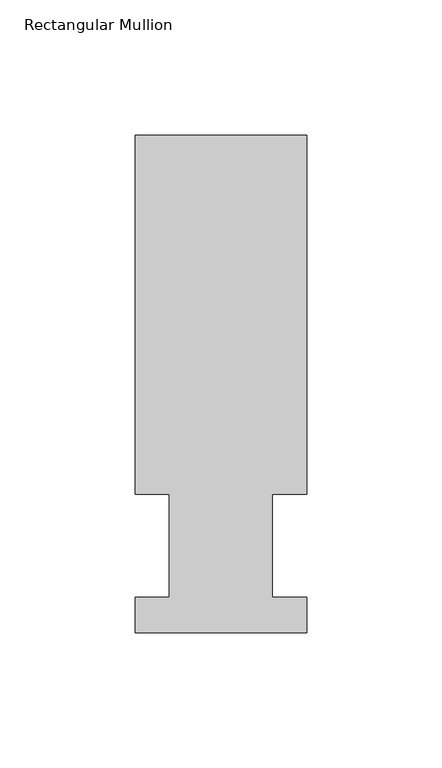
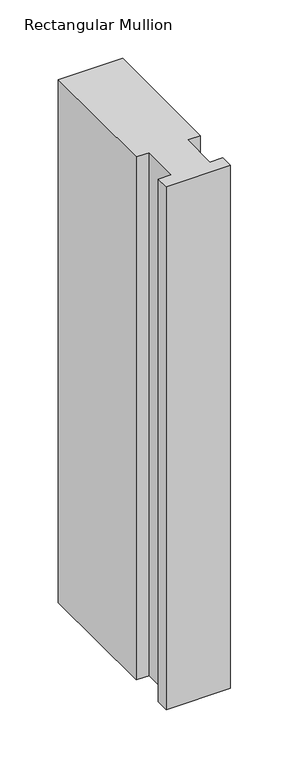
"""IFC4 building model written with IfcOpenShell, lengths in millimetres: member geometry, Rectangular Mullion."""

from ifc_helpers import new_model, si_unit, frame, origin, place, context, project, spatial, polyline, outline, extrude, source, transform, mapped, element, save


def rectangular_mullion_5e8700f2(model_context):
    return source(origin(), model_context, "Body", "SweptSolid", [
        extrude(outline(polyline([(-63.4997407, 222.5381312), (0.0, 222.5381312), (0.0, 89.5945312), (-12.6873748, 89.5945313), (-12.6873748, 51.4945313), (-0.0001005, 51.4945313), (-0.0001005, 38.3120551), (-63.5000748, 38.3120551), (-63.5000748, 51.4946303), (-50.7889236, 51.4946303), (-50.7889236, 89.5945312), (-63.4997407, 89.5945313), (-63.4997407, 222.5381312)])), frame((0.0, 0.0, -546.0999996), z_axis=(0.0, 0.0, 1.0), x_axis=(1.0, 0.0, 0.0)), (0.0, 0.0, 1.0), 546.0999996),
    ])


if __name__ == "__main__":
    model = new_model("IFC4")
    model_context = context("Model", 3, world=origin())
    ifc_project = project(units=[si_unit("LENGTHUNIT", "METRE", prefix="MILLI")], contexts=[model_context])
    site = spatial("IfcSite", under=ifc_project)
    building = spatial("IfcBuilding", under=site)
    placement = place(None, origin())
    rectangular_mullion_shape = rectangular_mullion_5e8700f2(model_context)
    element("IfcMember", 1, ObjectType="Rectangular Mullion", at=placement, inside=building, context=model_context, shape_type="MappedRepresentation", body=[
        mapped(rectangular_mullion_shape, transform((0.0, 0.0, 0.0), x_axis=(1.0, 0.0, 0.0), y_axis=(0.0, 1.0, 0.0), z_axis=(0.0, 0.0, 1.0))),
    ])
    save(model, "model.ifc")
